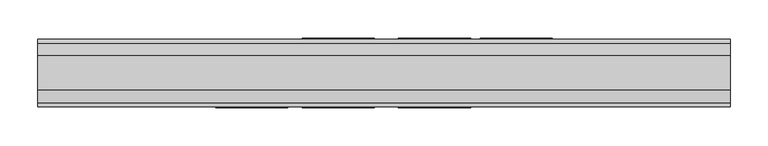
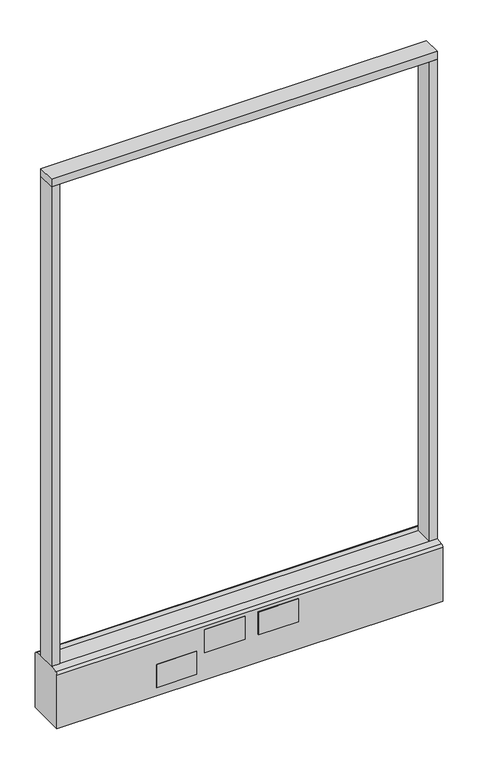
"""IFC4 building model written with IfcOpenShell, lengths in millimetres: furniture geometry."""

import ifcopenshell
import ifcopenshell.guid

model = None  # the IFC model being written
_history = None  # IfcOwnerHistory: only IFC2X3 demands one
_inside = {}  # id of a spatial element -> (the spatial element, [elements in it])
_under = {}  # id of a project, library or spatial element -> (it, [spatial elements below it])
_declared = {}  # id of a project -> (the project, [libraries it declares])
_typed = {}  # id of a type object -> (the type object, [elements of that type])
_made_of = {}  # id of a material, layer set ... -> (it, [elements and type objects made of it])


def new_model(schema):
    """Start an empty IFC model of exactly this schema.

    Asked for "IFC4X3", IfcOpenShell would pick the latest addendum, in which some entities
    have other attributes; the version numbers below select the first issue.
    IFC2X3 requires an IfcOwnerHistory on every rooted entity: one is made here for all.
    """
    global model, _history
    if schema == "IFC4X3":
        model = ifcopenshell.file(schema_version=(4, 3, 0, 0))
    else:
        model = ifcopenshell.file(schema=schema)
    _inside.clear()
    _under.clear()
    _declared.clear()
    _typed.clear()
    _made_of.clear()
    _history = None
    if model.schema == "IFC2X3":
        org = make("IfcOrganization", Name="unknown")
        user = make(
            "IfcPersonAndOrganization",
            ThePerson=make("IfcPerson", FamilyName="unknown"),
            TheOrganization=org,
        )
        app = make(
            "IfcApplication",
            ApplicationDeveloper=org,
            Version="unknown",
            ApplicationFullName="unknown",
            ApplicationIdentifier="unknown",
        )
        _history = make(
            "IfcOwnerHistory",
            OwningUser=user,
            OwningApplication=app,
            ChangeAction="ADDED",
            CreationDate=0,
        )
    return model


def make(cls, **values):
    """One entity of the class cls with the attributes given. An attribute that is None is left unset."""
    return model.create_entity(
        cls, **{name: value for name, value in values.items() if value is not None}
    )


def rooted(cls, **values):
    """An entity with a GlobalId (a new one), such as an element, a storey or a relation."""
    return make(cls, GlobalId=ifcopenshell.guid.new(), OwnerHistory=_history, **values)


def si_unit(unit_type, name, prefix=None):
    """IfcSIUnit, for example si_unit("LENGTHUNIT", "METRE", prefix="MILLI")."""
    return make("IfcSIUnit", UnitType=unit_type, Prefix=prefix, Name=name)


def assignment(units):
    """IfcUnitAssignment: the units of a project."""
    return None if units is None else make("IfcUnitAssignment", Units=units)


def point(xyz):
    """IfcCartesianPoint."""
    return None if xyz is None else make("IfcCartesianPoint", Coordinates=xyz)


def direction(xyz):
    """IfcDirection."""
    return None if xyz is None else make("IfcDirection", DirectionRatios=xyz)


def frame(location, z_axis=None, x_axis=None):
    """IfcAxis2Placement3D, a coordinate frame: its origin and axes. An axis left out is left unset."""
    return make(
        "IfcAxis2Placement3D",
        Location=point(location),
        Axis=direction(z_axis),
        RefDirection=direction(x_axis),
    )


def frame_2d(location, x_axis=None):
    """IfcAxis2Placement2D, a coordinate frame in the plane: its origin and x axis."""
    return make(
        "IfcAxis2Placement2D", Location=point(location), RefDirection=direction(x_axis)
    )


def origin():
    """The frame at (0, 0, 0) with its axes left unset."""
    return frame((0.0, 0.0, 0.0))


def origin_with_axes():
    """The frame at (0, 0, 0) with the z axis (0, 0, 1) and the x axis (1, 0, 0) written out."""
    return frame((0.0, 0.0, 0.0), z_axis=(0.0, 0.0, 1.0), x_axis=(1.0, 0.0, 0.0))


def place(relative_to, where):
    """IfcLocalPlacement: puts the frame where relative to a parent placement (None: the world)."""
    return make(
        "IfcLocalPlacement", PlacementRelTo=relative_to, RelativePlacement=where
    )


def context(
    kind, dimensions, precision=None, world=None, true_north=None, identifier=None
):
    """IfcGeometricRepresentationContext, for example the 3D "Model" context."""
    return make(
        "IfcGeometricRepresentationContext",
        ContextIdentifier=identifier,
        ContextType=kind,
        CoordinateSpaceDimension=dimensions,
        Precision=precision,
        WorldCoordinateSystem=world,
        TrueNorth=true_north,
    )


def project(units=None, contexts=None):
    """IfcProject with its units and contexts."""
    return rooted(
        "IfcProject",
        Name="project",
        RepresentationContexts=contexts,
        UnitsInContext=assignment(units),
    )


def spatial(cls, under=None, at=None, **own):
    """A site, building, storey or space (cls), placed at a placement, below another one or the project."""
    s = rooted(cls, ObjectPlacement=at, **own)
    if under is not None:
        _under.setdefault(under.id(), (under, []))[1].append(s)
    return s


def polyline(points):
    """IfcPolyline through the points."""
    return make("IfcPolyline", Points=[point(p) for p in points])


def circle_curve(where, radius):
    """IfcCircle in the frame where."""
    return make("IfcCircle", Position=where, Radius=radius)


def trimmed(basis, trim1, trim2, sense, master):
    """IfcTrimmedCurve: the piece of a basis curve between two trims."""
    return make(
        "IfcTrimmedCurve",
        BasisCurve=basis,
        Trim1=trim1,
        Trim2=trim2,
        SenseAgreement=sense,
        MasterRepresentation=master,
    )


def segment(curve, same_sense, transition):
    """IfcCompositeCurveSegment."""
    return make(
        "IfcCompositeCurveSegment",
        Transition=transition,
        SameSense=same_sense,
        ParentCurve=curve,
    )


def composite_curve(segments, self_intersect=None):
    """IfcCompositeCurve: segments joined end to end."""
    return make("IfcCompositeCurve", Segments=segments, SelfIntersect=self_intersect)


def outline(outer, holes=None, kind="AREA"):
    """IfcArbitraryClosedProfileDef: a profile drawn as a closed curve; with holes, ...WithVoids."""
    if holes is None:
        return make("IfcArbitraryClosedProfileDef", ProfileType=kind, OuterCurve=outer)
    return make(
        "IfcArbitraryProfileDefWithVoids",
        ProfileType=kind,
        OuterCurve=outer,
        InnerCurves=holes,
    )


def extrude(swept, where, along, depth):
    """IfcExtrudedAreaSolid: the profile swept, set in the frame where, extruded along a direction by depth."""
    return make(
        "IfcExtrudedAreaSolid",
        SweptArea=swept,
        Position=where,
        ExtrudedDirection=direction(along),
        Depth=depth,
    )


def shape(context_of_items, identifier, shape_type, items):
    """IfcShapeRepresentation: the items that make up one representation, for example the "Body"."""
    return make(
        "IfcShapeRepresentation",
        ContextOfItems=context_of_items,
        RepresentationIdentifier=identifier,
        RepresentationType=shape_type,
        Items=items,
    )


def source(mapping_origin, context_of_items, identifier, shape_type, items):
    """IfcRepresentationMap: a shape defined once, which mapped items show again and again."""
    return make(
        "IfcRepresentationMap",
        MappingOrigin=mapping_origin,
        MappedRepresentation=shape(context_of_items, identifier, shape_type, items),
    )


def transform(
    local_origin,
    x_axis=None,
    y_axis=None,
    z_axis=None,
    scale=None,
    scale2=None,
    scale3=None,
    uniform=True,
):
    """IfcCartesianTransformationOperator3D, or its non-uniform kind. x_axis, y_axis, z_axis: its Axis1, 2, 3."""
    if uniform:
        return make(
            "IfcCartesianTransformationOperator3D",
            Axis1=direction(x_axis),
            Axis2=direction(y_axis),
            LocalOrigin=point(local_origin),
            Scale=scale,
            Axis3=direction(z_axis),
        )
    return make(
        "IfcCartesianTransformationOperator3DnonUniform",
        Axis1=direction(x_axis),
        Axis2=direction(y_axis),
        LocalOrigin=point(local_origin),
        Scale=scale,
        Axis3=direction(z_axis),
        Scale2=scale2,
        Scale3=scale3,
    )


def mapped(mapping_source, mapping_target):
    """IfcMappedItem: shows the shape of a source again, moved by a transform."""
    return make(
        "IfcMappedItem", MappingSource=mapping_source, MappingTarget=mapping_target
    )


def made_of(thing, what):
    """Note that an element or type object is made of a material, layer set ...; save() writes the relation."""
    if what is not None:
        _made_of.setdefault(what.id(), (what, []))[1].append(thing)
    return thing


def element(
    cls,
    number,
    at=None,
    inside=None,
    cuts=None,
    type_object=None,
    material=None,
    context=None,
    identifier="Body",
    shape_type=None,
    held_by="IfcProductDefinitionShape",
    body=None,
    shapes=None,
    **own,
):
    """One element of the class cls, such as IfcWall. Its Tag is "e" and its number.

    at: its placement. inside: the storey or other place that contains it. cuts: it is an
    opening in that element (IfcRelVoidsElement). A single representation is given by context,
    identifier, shape_type and body (its items); several are given by shapes. held_by: the class
    of the entity that holds the representations. save() writes the other relations.
    """
    e = rooted(cls, Tag="e%d" % number, ObjectPlacement=at, **own)
    if body is not None:
        shapes = [shape(context, identifier, shape_type, body)]
    if shapes is not None:
        e.Representation = make(held_by, Representations=shapes)
    if inside is not None:
        _inside.setdefault(inside.id(), (inside, []))[1].append(e)
    if cuts is not None:
        rooted(
            "IfcRelVoidsElement", RelatingBuildingElement=cuts, RelatedOpeningElement=e
        )
    if type_object is not None:
        _typed.setdefault(type_object.id(), (type_object, []))[1].append(e)
    return made_of(e, material)


def aggregate(whole, parts):
    """IfcRelAggregates: a whole, such as a stair, and the parts it consists of."""
    return rooted("IfcRelAggregates", RelatingObject=whole, RelatedObjects=parts)


def save(model, path):
    """Write the relations noted so far, then the file.

    IfcRelAggregates (storeys below a building ...), IfcRelContainedInSpatialStructure (elements
    in a storey), IfcRelDefinesByType, IfcRelAssociatesMaterial and IfcRelDeclares: one each for
    every whole, place, type object, material and project.
    """
    for whole, parts in _under.values():
        aggregate(whole, parts)
    for where, things in _inside.values():
        rooted(
            "IfcRelContainedInSpatialStructure",
            RelatedElements=things,
            RelatingStructure=where,
        )
    for kind, things in _typed.values():
        rooted("IfcRelDefinesByType", RelatedObjects=things, RelatingType=kind)
    for what, things in _made_of.values():
        rooted("IfcRelAssociatesMaterial", RelatedObjects=things, RelatingMaterial=what)
    for by, libraries in _declared.values():
        rooted("IfcRelDeclares", RelatingContext=by, RelatedDefinitions=libraries)
    model.write(path)


def furniture_a8130a59(model_context):
    return source(origin(), model_context, "Body", "SweptSolid", [
        extrude(outline(polyline([(457.2, -22.225), (-457.2, -22.225), (-457.2, 22.225), (457.2, 22.225), (457.2, -22.225)])), frame((0.0, 0.0, 1352.55), z_axis=(0.0, 0.0, 1.0), x_axis=(1.0, 0.0, 0.0)), (0.0, 0.0, 1.0), 19.05),
        extrude(outline(composite_curve([segment(trimmed(circle_curve(frame_2d((-381.0, 0.0)), 23.415625), [point((-404.415625, 0.0))], [point((-357.584375, 0.0))], False, "CARTESIAN"), True, "CONTINUOUS"), segment(trimmed(circle_curve(frame_2d((-381.0, 0.0)), 23.415625), [point((-357.584375, 0.0))], [point((-404.415625, 0.0))], False, "CARTESIAN"), True, "CONTINUOUS")], self_intersect=False)), origin_with_axes(), (0.0, 0.0, 1.0), 6.35),
        extrude(outline(composite_curve([segment(trimmed(circle_curve(frame_2d((381.0, 0.0)), 23.415625), [point((357.584375, 0.0))], [point((404.415625, 0.0))], False, "CARTESIAN"), True, "CONTINUOUS"), segment(trimmed(circle_curve(frame_2d((381.0, 0.0)), 23.415625), [point((404.415625, 0.0))], [point((357.584375, 0.0))], False, "CARTESIAN"), True, "CONTINUOUS")], self_intersect=False)), origin_with_axes(), (0.0, 0.0, 1.0), 6.35),
        extrude(outline(polyline([(-438.1500091, -22.225), (-457.2, -22.225), (-457.2, 22.225), (-438.1500091, 22.225), (-438.1500091, -22.225)])), frame((0.0, 0.0, 152.4), z_axis=(0.0, 0.0, 1.0), x_axis=(1.0, 0.0, 0.0)), (0.0, 0.0, 1.0), 1200.15),
        extrude(outline(polyline([(457.2, -22.225), (438.1500091, -22.225), (438.1500091, 22.225), (457.2, 22.225), (457.2, -22.225)])), frame((0.0, 0.0, 152.4), z_axis=(0.0, 0.0, 1.0), x_axis=(1.0, 0.0, 0.0)), (0.0, 0.0, 1.0), 1200.15),
        extrude(outline(composite_curve([segment(polyline([(-22.225, 152.4), (22.225, 152.4), (39.43219, 149.94183)]), True, "CONTINUOUS"), segment(trimmed(circle_curve(frame_2d((38.605678, 144.1562464)), 5.844322), [point((39.43219, 149.94183))], [point((44.45, 144.1562464))], False, "CARTESIAN"), True, "CONTINUOUS"), segment(polyline([(44.45, 144.1562464), (44.45, 9.525), (-44.4433083, 9.525), (-44.4433083, 144.1572033)]), True, "CONTINUOUS"), segment(trimmed(circle_curve(frame_2d((-38.5989863, 144.1572033)), 5.844322), [point((-44.4433083, 144.1572033))], [point((-39.4222979, 149.9432432))], False, "CARTESIAN"), True, "CONTINUOUS"), segment(polyline([(-39.4222979, 149.9432432), (-22.225, 152.4)]), True, "CONTINUOUS")], self_intersect=False)), frame((-457.2, 0.0, 0.0), z_axis=(1.0, 0.0, 0.0), x_axis=(0.0, 1.0, 0.0)), (0.0, 0.0, 1.0), 914.4),
        extrude(outline(polyline([(222.25, 44.45), (127.0, 44.45), (127.0, 46.0375), (222.25, 46.0375), (222.25, 44.45)])), frame((0.0, 0.0, 31.75), z_axis=(0.0, 0.0, 1.0), x_axis=(1.0, 0.0, 0.0)), (0.0, 0.0, 1.0), 57.15),
        extrude(outline(polyline([(114.3, 44.45), (19.05, 44.45), (19.05, 46.0375), (114.3, 46.0375), (114.3, 44.45)])), frame((0.0, 0.0, 79.1718), z_axis=(0.0, 0.0, 1.0), x_axis=(1.0, 0.0, 0.0)), (0.0, 0.0, 1.0), 57.15),
        extrude(outline(polyline([(-12.7, 44.45), (-107.95, 44.45), (-107.95, 46.0375), (-12.7, 46.0375), (-12.7, 44.45)])), frame((0.0, 0.0, 79.1718), z_axis=(0.0, 0.0, 1.0), x_axis=(1.0, 0.0, 0.0)), (0.0, 0.0, 1.0), 57.15),
        extrude(outline(polyline([(-127.0, -46.0375), (-222.25, -46.0375), (-222.25, -44.45), (-127.0, -44.45), (-127.0, -46.0375)])), frame((0.0, 0.0, 31.75), z_axis=(0.0, 0.0, 1.0), x_axis=(1.0, 0.0, 0.0)), (0.0, 0.0, 1.0), 57.15),
        extrude(outline(polyline([(114.3, -46.0375), (19.05, -46.0375), (19.05, -44.45), (114.3, -44.45), (114.3, -46.0375)])), frame((0.0, 0.0, 79.1718), z_axis=(0.0, 0.0, 1.0), x_axis=(1.0, 0.0, 0.0)), (0.0, 0.0, 1.0), 57.15),
        extrude(outline(polyline([(-12.7, -46.0375), (-107.95, -46.0375), (-107.95, -44.45), (-12.7, -44.45), (-12.7, -46.0375)])), frame((0.0, 0.0, 79.1718), z_axis=(0.0, 0.0, 1.0), x_axis=(1.0, 0.0, 0.0)), (0.0, 0.0, 1.0), 57.15),
        extrude(outline(composite_curve([segment(trimmed(circle_curve(frame_2d((-381.0, 0.0)), 5.55625), [point((-386.55625, 0.0))], [point((-375.44375, 0.0))], False, "CARTESIAN"), True, "CONTINUOUS"), segment(trimmed(circle_curve(frame_2d((-381.0, 0.0)), 5.55625), [point((-375.44375, 0.0))], [point((-386.55625, 0.0))], False, "CARTESIAN"), True, "CONTINUOUS")], self_intersect=False)), frame((0.0, 0.0, 6.35), z_axis=(0.0, 0.0, 1.0), x_axis=(1.0, 0.0, 0.0)), (0.0, 0.0, 1.0), 3.175),
        extrude(outline(composite_curve([segment(trimmed(circle_curve(frame_2d((381.0, 0.0)), 5.55625), [point((375.44375, 0.0))], [point((386.55625, 0.0))], False, "CARTESIAN"), True, "CONTINUOUS"), segment(trimmed(circle_curve(frame_2d((381.0, 0.0)), 5.55625), [point((386.55625, 0.0))], [point((375.44375, 0.0))], False, "CARTESIAN"), True, "CONTINUOUS")], self_intersect=False)), frame((0.0, 0.0, 6.35), z_axis=(0.0, 0.0, 1.0), x_axis=(1.0, 0.0, 0.0)), (0.0, 0.0, 1.0), 3.175),
    ])


if __name__ == "__main__":
    model = new_model("IFC4")
    model_context = context("Model", 3, world=origin())
    ifc_project = project(units=[si_unit("LENGTHUNIT", "METRE", prefix="MILLI")], contexts=[model_context])
    site = spatial("IfcSite", under=ifc_project)
    building = spatial("IfcBuilding", under=site)
    placement = place(None, origin())
    furniture_shape = furniture_a8130a59(model_context)
    element("IfcFurniture", 1, at=placement, inside=building, context=model_context, shape_type="MappedRepresentation", body=[
        mapped(furniture_shape, transform((0.0, 0.0, 0.0), x_axis=(1.0, 0.0, 0.0), y_axis=(0.0, 1.0, 0.0), z_axis=(0.0, 0.0, 1.0))),
    ])
    save(model, "model.ifc")
